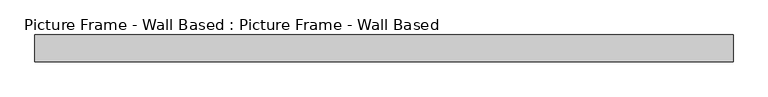
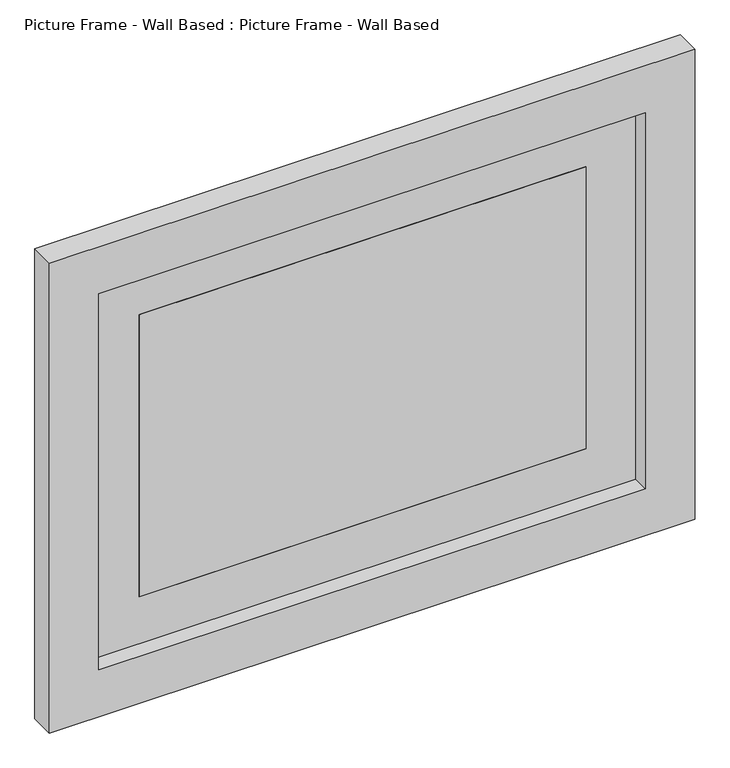
"""IFC4 building model written with IfcOpenShell, lengths in millimetres: proxy geometry, Picture Frame - Wall Based : Picture Frame - Wall Based."""

from ifc_helpers import new_model, si_unit, frame, origin, place, context, project, spatial, polyline, outline, extrude, source, transform, mapped, element, save


def picture_frame_wall_based_picture_frame_wall_based_cfc3ebdd(model_context):
    return source(origin(), model_context, "Body", "SweptSolid", [
        extrude(outline(polyline([(457.2, -107.4208333), (-457.2, -107.4208333), (-457.2, -90.4875), (457.2, -90.4875), (457.2, -107.4208333)])), frame((0.0, 0.0, 1459.8323307), z_axis=(0.0, 0.0, 1.0), x_axis=(1.0, 0.0, 0.0)), (0.0, 0.0, 1.0), 609.6),
        extrude(outline(polyline([(1358.2323307, 558.8), (2171.0323307, 558.8), (2171.0323307, -558.8), (1358.2323307, -558.8), (1358.2323307, 558.8)]), holes=[polyline([(1459.8323307, 457.2), (1459.8323307, -457.2), (2069.4323307, -457.2), (2069.4323307, 457.2), (1459.8323307, 457.2)])]), frame((0.0, -107.4208333, 0.0), z_axis=(0.0, 1.0, 0.0), x_axis=(0.0, 0.0, 1.0)), (0.0, 0.0, 1.0), 16.9333333),
        extrude(outline(polyline([(1256.6323307, 660.4), (2272.6323307, 660.4), (2272.6323307, -660.4), (1256.6323307, -660.4), (1256.6323307, 660.4)]), holes=[polyline([(1358.2323307, -558.8), (2171.0323307, -558.8), (2171.0323307, 558.8), (1358.2323307, 558.8), (1358.2323307, -558.8)])]), frame((0.0, -141.2875, 0.0), z_axis=(0.0, 1.0, 0.0), x_axis=(0.0, 0.0, 1.0)), (0.0, 0.0, 1.0), 50.8),
    ])


if __name__ == "__main__":
    model = new_model("IFC4")
    model_context = context("Model", 3, world=origin())
    ifc_project = project(units=[si_unit("LENGTHUNIT", "METRE", prefix="MILLI")], contexts=[model_context])
    site = spatial("IfcSite", under=ifc_project)
    building = spatial("IfcBuilding", under=site)
    placement = place(None, origin())
    picture_frame_wall_based_picture_frame_wall_based_shape = picture_frame_wall_based_picture_frame_wall_based_cfc3ebdd(model_context)
    element("IfcBuildingElementProxy", 1, Name="Picture Frame - Wall Based : Picture Frame - Wall Based", ObjectType="Picture Frame - Wall Based : Picture Frame - Wall Based", at=placement, inside=building, context=model_context, shape_type="MappedRepresentation", body=[
        mapped(picture_frame_wall_based_picture_frame_wall_based_shape, transform((0.0, 0.0, 0.0), x_axis=(1.0, 0.0, 0.0), y_axis=(0.0, 1.0, 0.0), z_axis=(0.0, 0.0, 1.0))),
    ])
    save(model, "model.ifc")
